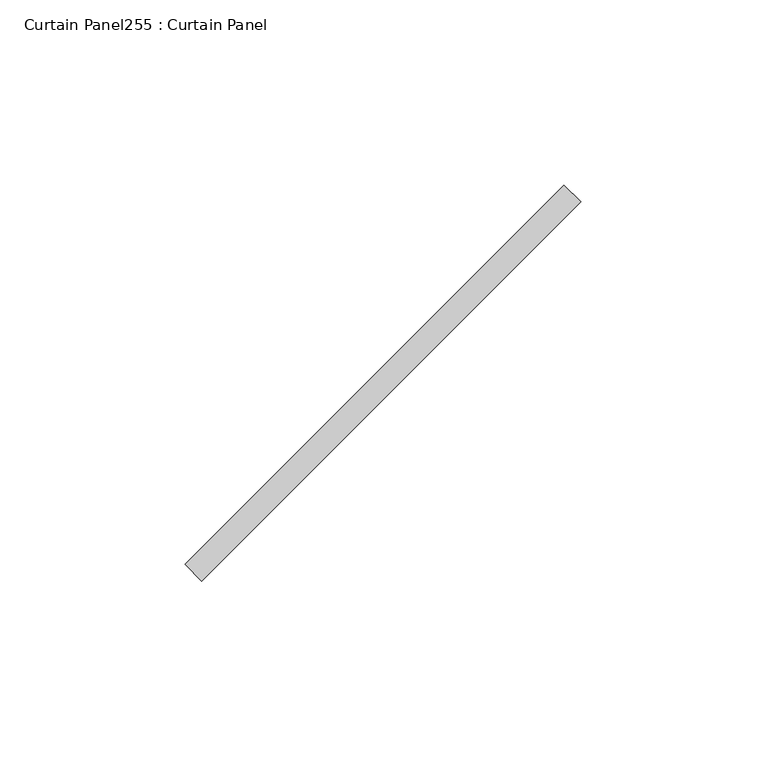
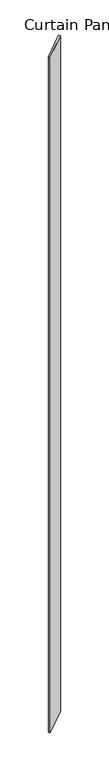
"""IFC4 building model written with IfcOpenShell, lengths in millimetres: plate geometry, Curtain Panel255 : Curtain Panel."""

from ifc_helpers import new_model, si_unit, frame, origin, place, context, project, spatial, polyline, outline, extrude, source, transform, mapped, element, save


def curtain_panel255_curtain_panel_91758a4c(model_context):
    return source(origin(), model_context, "Body", "SweptSolid", [
        extrude(outline(polyline([(579450.9567427, 2383.3603314), (579553.4673253, 2485.870914), (579557.9574533, 2481.3807859), (579455.4468707, 2378.8702033), (579450.9567427, 2383.3603314)])), frame((0.0, 0.0, 4959.7989371), z_axis=(0.0, 0.0, 1.0), x_axis=(1.0, 0.0, 0.0)), (0.0, 0.0, 1.0), 3048.0),
    ])


if __name__ == "__main__":
    model = new_model("IFC4")
    model_context = context("Model", 3, world=origin())
    ifc_project = project(units=[si_unit("LENGTHUNIT", "METRE", prefix="MILLI")], contexts=[model_context])
    site = spatial("IfcSite", under=ifc_project)
    building = spatial("IfcBuilding", under=site)
    placement = place(None, origin())
    curtain_panel255_curtain_panel_shape = curtain_panel255_curtain_panel_91758a4c(model_context)
    element("IfcPlate", 1, ObjectType="Curtain Panel255 : Curtain Panel", at=placement, inside=building, context=model_context, shape_type="MappedRepresentation", body=[
        mapped(curtain_panel255_curtain_panel_shape, transform((0.0, 0.0, 0.0), x_axis=(1.0, 0.0, 0.0), y_axis=(0.0, 1.0, 0.0), z_axis=(0.0, 0.0, 1.0))),
    ])
    save(model, "model.ifc")
